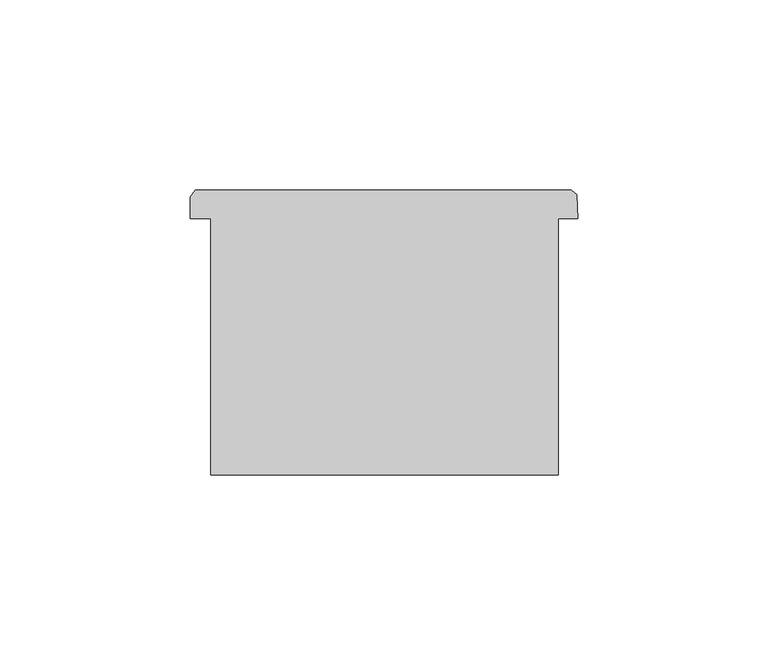
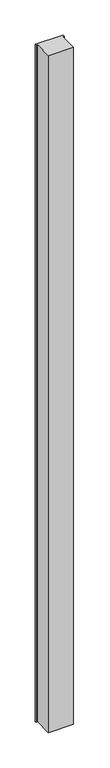
"""IFC4 building model written with IfcOpenShell, lengths in millimetres: column geometry."""

from ifc_helpers import new_model, si_unit, frame, origin, place, context, project, spatial, polyline, outline, extrude, source, transform, mapped, element, save


def column_8a0d7a88(model_context):
    return source(origin(), model_context, "Body", "SweptSolid", [
        extrude(outline(polyline([(61928.4246062, -44999.7183824), (61923.3334556, -44999.7183824), (61923.3334556, -45067.0073004), (61832.1266022, -45067.0073004), (61832.1266022, -44999.7183824), (61826.8246062, -44999.7183824), (61826.8246062, -44994.0288078), (61828.0648374, -44992.2552782), (61926.7813024, -44992.2552782), (61928.26959, -44993.337369), (61928.4246062, -44999.7183824)])), frame((0.0, 0.0, 4419.601778), z_axis=(0.0, 0.0, 1.0), x_axis=(1.0, 0.0, 0.0)), (0.0, 0.0, 1.0), 2590.7999806),
        extrude(outline(polyline([(61928.4246062, -44999.7183824), (61923.3334556, -44999.7183824), (61923.3334556, -45067.0073004), (61832.1266022, -45067.0073004), (61832.1266022, -44999.7183824), (61826.8246062, -44999.7183824), (61826.8246062, -44994.0288078), (61828.0648374, -44992.2552782), (61926.7813024, -44992.2552782), (61928.26959, -44993.337369), (61928.4246062, -44999.7183824)])), frame((0.0, 0.0, 4419.601778), z_axis=(0.0, 0.0, 1.0), x_axis=(1.0, 0.0, 0.0)), (0.0, 0.0, 1.0), 2590.7999806),
    ])


if __name__ == "__main__":
    model = new_model("IFC4")
    model_context = context("Model", 3, world=origin())
    ifc_project = project(units=[si_unit("LENGTHUNIT", "METRE", prefix="MILLI")], contexts=[model_context])
    site = spatial("IfcSite", under=ifc_project)
    building = spatial("IfcBuilding", under=site)
    placement = place(None, origin())
    column_shape = column_8a0d7a88(model_context)
    element("IfcColumn", 1, at=placement, inside=building, context=model_context, shape_type="MappedRepresentation", body=[
        mapped(column_shape, transform((0.0, 0.0, 0.0), x_axis=(1.0, 0.0, 0.0), y_axis=(0.0, 1.0, 0.0), z_axis=(0.0, 0.0, 1.0))),
    ])
    save(model, "model.ifc")
